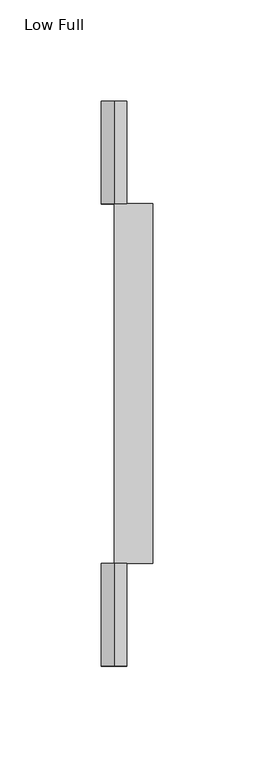
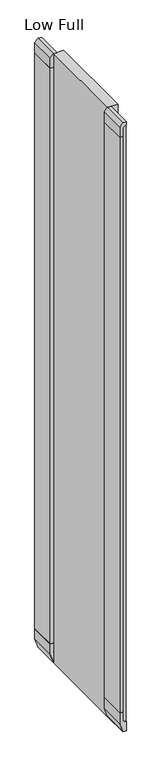
"""IFC4 building model written with IfcOpenShell, lengths in millimetres: furniture geometry, Low Full."""

from ifc_helpers import new_model, si_unit, frame, origin, place, context, project, spatial, polyline, outline, extrude, faceted_brep, source, transform, mapped, element, save


def low_full_7ca45d84(model_context):
    return source(origin(), model_context, "Body", "SolidModel", [
        faceted_brep([(0.0, -279.4, 28.575), (-3.175, -279.4, 28.575), (-6.35, -279.4, 31.75), (-6.35, -279.4, 49.2125), (-12.7, -279.4, 49.2125), (-12.7, -279.4, 28.575), (-6.35, -279.4, 9.525), (0.0, -279.4, 9.525), (-6.35, -277.8125, 31.75), (-3.175, -277.8125, 28.575), (0.0, -277.8125, 28.575), (0.0, -277.8125, 10.3076132), (-6.35, -277.8125, 10.3076132), (-6.35, -230.1875, 10.3076132), (-6.35, -230.1875, 31.75), (-6.35, -228.6, 31.75), (-6.35, -228.6, 49.2125), (-12.7, -228.6, 49.2125), (-12.7, -228.6, 28.575), (-6.35, -228.6, 9.525), (0.0, -228.6, 9.525), (0.0, -228.6, 28.575), (0.0, -230.1875, 28.575), (0.0, -230.1875, 10.3076132), (-3.175, -230.1875, 28.575), (-3.175, -228.6, 28.575)], [[[0, 1, 2, 3, 4, 5, 6, 7]], [[8, 9, 10, 11, 12]], [[1, 0, 10, 9]], [[2, 1, 9, 8]], [[3, 2, 8, 12, 13, 14, 15, 16]], [[4, 3, 16, 17]], [[5, 4, 17, 18]], [[6, 5, 18, 19]], [[7, 6, 19, 20]], [[0, 7, 20, 21, 22, 23, 11, 10]], [[11, 23, 13, 12]], [[22, 24, 14, 13, 23]], [[16, 15, 25, 21, 20, 19, 18, 17]], [[24, 22, 21, 25]], [[14, 24, 25, 15]]]),
        faceted_brep([(0.0, -1.5875, 28.575), (-3.175, -1.5875, 28.575), (-6.35, -1.5875, 31.75), (-6.35, -1.5875, 10.3076132), (0.0, -1.5875, 10.3076132), (-6.35, 0.0, 49.2125), (-6.35, 0.0, 31.75), (-3.175, 0.0, 28.575), (0.0, 0.0, 28.575), (0.0, 0.0, 9.525), (-6.35, 0.0, 9.525), (-12.7, 0.0, 28.575), (-12.7, 0.0, 49.2125), (-12.7, -50.8, 49.2125), (-6.35, -50.8, 49.2125), (-12.7, -50.8, 28.575), (-6.35, -50.8, 9.525), (0.0, -50.8, 9.525), (0.0, -49.2125, 10.3076132), (0.0, -49.2125, 28.575), (0.0, -50.8, 28.575), (-6.35, -50.8, 31.75), (-6.35, -49.2125, 31.75), (-6.35, -49.2125, 10.3076132), (-3.175, -50.8, 28.575), (-3.175, -49.2125, 28.575)], [[[0, 1, 2, 3, 4]], [[5, 6, 7, 8, 9, 10, 11, 12]], [[5, 12, 13, 14]], [[13, 12, 11, 15]], [[15, 11, 10, 16]], [[16, 10, 9, 17]], [[17, 9, 8, 0, 4, 18, 19, 20]], [[1, 0, 8, 7]], [[2, 1, 7, 6]], [[6, 5, 14, 21, 22, 23, 3, 2]], [[18, 4, 3, 23]], [[13, 15, 16, 17, 20, 24, 21, 14]], [[22, 25, 19, 18, 23]], [[24, 20, 19, 25]], [[21, 24, 25, 22]]]),
        faceted_brep([(-6.35, -50.8, 1228.725), (-12.7, -50.8, 1222.375), (-12.7, -50.8, 1201.7375), (-6.35, -50.8, 1201.7375), (-6.35, -50.8, 1219.2), (-3.175, -50.8, 1222.375), (0.0, -50.8, 1222.375), (0.0, -50.8, 1228.725), (0.0, -49.2125, 1222.375), (-3.175, -49.2125, 1222.375), (-6.35, -49.2125, 1219.2), (-6.35, -49.2125, 1227.9163798), (0.0, -49.2125, 1227.9163798), (-6.35, 0.0, 1228.725), (-12.7, 0.0, 1222.375), (-12.7, 0.0, 1201.7375), (-6.35, 0.0, 1201.7375), (-6.35, 0.0, 1219.2), (-6.35, -1.5875, 1219.2), (-6.35, -1.5875, 1227.9163798), (0.0, -1.5875, 1227.9163798), (0.0, -1.5875, 1222.375), (0.0, 0.0, 1222.375), (0.0, 0.0, 1228.725), (-3.175, -1.5875, 1222.375), (-3.175, 0.0, 1222.375)], [[[0, 1, 2, 3, 4, 5, 6, 7]], [[8, 9, 10, 11, 12]], [[1, 0, 13, 14]], [[2, 1, 14, 15]], [[3, 2, 15, 16]], [[4, 3, 16, 17, 18, 19, 11, 10]], [[5, 4, 10, 9]], [[6, 5, 9, 8]], [[7, 6, 8, 12, 20, 21, 22, 23]], [[13, 0, 7, 23]], [[11, 19, 20, 12]], [[18, 24, 21, 20, 19]], [[13, 23, 22, 25, 17, 16, 15, 14]], [[24, 18, 17, 25]], [[21, 24, 25, 22]]]),
        faceted_brep([(-6.35, -279.4, 1228.725), (-12.7, -279.4, 1222.375), (-12.7, -279.4, 1201.7375), (-6.35, -279.4, 1201.7375), (-6.35, -279.4, 1219.2), (-3.175, -279.4, 1222.375), (0.0, -279.4, 1222.375), (0.0, -279.4, 1228.725), (0.0, -277.8125, 1222.375), (-3.175, -277.8125, 1222.375), (-6.35, -277.8125, 1219.2), (-6.35, -277.8125, 1227.9163798), (0.0, -277.8125, 1227.9163798), (-6.35, -228.6, 1228.725), (-12.7, -228.6, 1222.375), (-12.7, -228.6, 1201.7375), (-6.35, -228.6, 1201.7375), (-6.35, -228.6, 1219.2), (-6.35, -230.1875, 1219.2), (-6.35, -230.1875, 1227.9163798), (0.0, -230.1875, 1227.9163798), (0.0, -230.1875, 1222.375), (0.0, -228.6, 1222.375), (0.0, -228.6, 1228.725), (-3.175, -230.1875, 1222.375), (-3.175, -228.6, 1222.375)], [[[0, 1, 2, 3, 4, 5, 6, 7]], [[8, 9, 10, 11, 12]], [[1, 0, 13, 14]], [[2, 1, 14, 15]], [[3, 2, 15, 16]], [[4, 3, 16, 17, 18, 19, 11, 10]], [[5, 4, 10, 9]], [[6, 5, 9, 8]], [[7, 6, 8, 12, 20, 21, 22, 23]], [[13, 0, 7, 23]], [[11, 19, 20, 12]], [[18, 24, 21, 20, 19]], [[13, 23, 22, 25, 17, 16, 15, 14]], [[24, 18, 17, 25]], [[21, 24, 25, 22]]]),
        extrude(outline(polyline([(0.0, -230.1875), (0.0, -277.8125), (-6.35, -277.8125), (-6.35, -230.1875), (0.0, -230.1875)])), frame((0.0, 0.0, 10.3076132), z_axis=(0.0, 0.0, 1.0), x_axis=(1.0, 0.0, 0.0)), (0.0, 0.0, 1.0), 1217.6087666),
        extrude(outline(polyline([(0.0, -1.5875), (0.0, -49.2125), (-6.35, -49.2125), (-6.35, -1.5875), (0.0, -1.5875)])), frame((0.0, 0.0, 10.3076132), z_axis=(0.0, 0.0, 1.0), x_axis=(1.0, 0.0, 0.0)), (0.0, 0.0, 1.0), 1217.6087666),
        extrude(outline(polyline([(0.0, -6.35), (0.0, 0.0), (50.8, 0.0), (50.8, -6.35), (0.0, -6.35)])), frame((-12.7, -50.8, 49.2125), z_axis=(-1.0070611011769918e-11, 0.0, 1.0), x_axis=(0.0, 1.0, 0.0)), (0.0, 0.0, 1.0), 1152.525),
        extrude(outline(polyline([(0.0, -6.35), (0.0, 0.0), (50.8, 0.0), (50.8, -6.35), (0.0, -6.35)])), frame((-12.7, -279.4, 49.2125), z_axis=(7.216893749276173e-12, 0.0, 1.0), x_axis=(0.0, 1.0, 0.0)), (0.0, 0.0, 1.0), 1152.525),
        extrude(outline(polyline([(12.7, -50.8), (12.7, -228.6), (-6.35, -228.6), (-6.35, -50.8), (12.7, -50.8)])), frame((0.0, 0.0, 9.525), z_axis=(0.0, 0.0, 1.0), x_axis=(1.0, 0.0, 0.0)), (0.0, 0.0, 1.0), 1219.2),
    ])


if __name__ == "__main__":
    model = new_model("IFC4")
    model_context = context("Model", 3, world=origin())
    ifc_project = project(units=[si_unit("LENGTHUNIT", "METRE", prefix="MILLI")], contexts=[model_context])
    site = spatial("IfcSite", under=ifc_project)
    building = spatial("IfcBuilding", under=site)
    placement = place(None, origin())
    low_full_shape = low_full_7ca45d84(model_context)
    element("IfcFurniture", 1, ObjectType="Low Full", at=placement, inside=building, context=model_context, shape_type="MappedRepresentation", body=[
        mapped(low_full_shape, transform((0.0, 0.0, 0.0), x_axis=(1.0, 0.0, 0.0), y_axis=(0.0, 1.0, 0.0), z_axis=(0.0, 0.0, 1.0))),
    ])
    save(model, "model.ifc")
